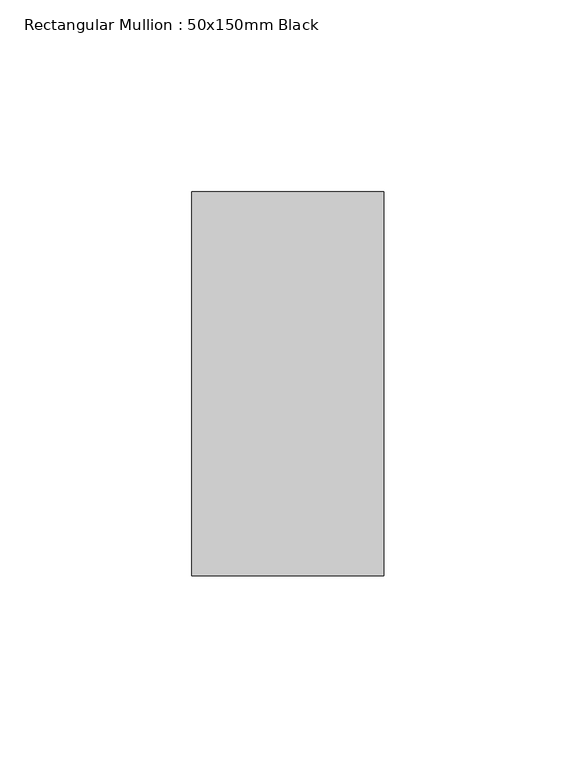
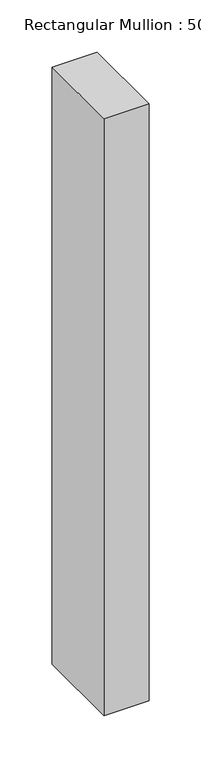
"""IFC4 building model written with IfcOpenShell, lengths in millimetres: member geometry, Rectangular Mullion : 50x150mm Black."""

import ifcopenshell
import ifcopenshell.guid

model = None  # the IFC model being written
_history = None  # IfcOwnerHistory: only IFC2X3 demands one
_inside = {}  # id of a spatial element -> (the spatial element, [elements in it])
_under = {}  # id of a project, library or spatial element -> (it, [spatial elements below it])
_declared = {}  # id of a project -> (the project, [libraries it declares])
_typed = {}  # id of a type object -> (the type object, [elements of that type])
_made_of = {}  # id of a material, layer set ... -> (it, [elements and type objects made of it])


def new_model(schema):
    """Start an empty IFC model of exactly this schema.

    Asked for "IFC4X3", IfcOpenShell would pick the latest addendum, in which some entities
    have other attributes; the version numbers below select the first issue.
    IFC2X3 requires an IfcOwnerHistory on every rooted entity: one is made here for all.
    """
    global model, _history
    if schema == "IFC4X3":
        model = ifcopenshell.file(schema_version=(4, 3, 0, 0))
    else:
        model = ifcopenshell.file(schema=schema)
    _inside.clear()
    _under.clear()
    _declared.clear()
    _typed.clear()
    _made_of.clear()
    _history = None
    if model.schema == "IFC2X3":
        org = make("IfcOrganization", Name="unknown")
        user = make(
            "IfcPersonAndOrganization",
            ThePerson=make("IfcPerson", FamilyName="unknown"),
            TheOrganization=org,
        )
        app = make(
            "IfcApplication",
            ApplicationDeveloper=org,
            Version="unknown",
            ApplicationFullName="unknown",
            ApplicationIdentifier="unknown",
        )
        _history = make(
            "IfcOwnerHistory",
            OwningUser=user,
            OwningApplication=app,
            ChangeAction="ADDED",
            CreationDate=0,
        )
    return model


def make(cls, **values):
    """One entity of the class cls with the attributes given. An attribute that is None is left unset."""
    return model.create_entity(
        cls, **{name: value for name, value in values.items() if value is not None}
    )


def rooted(cls, **values):
    """An entity with a GlobalId (a new one), such as an element, a storey or a relation."""
    return make(cls, GlobalId=ifcopenshell.guid.new(), OwnerHistory=_history, **values)


def si_unit(unit_type, name, prefix=None):
    """IfcSIUnit, for example si_unit("LENGTHUNIT", "METRE", prefix="MILLI")."""
    return make("IfcSIUnit", UnitType=unit_type, Prefix=prefix, Name=name)


def assignment(units):
    """IfcUnitAssignment: the units of a project."""
    return None if units is None else make("IfcUnitAssignment", Units=units)


def point(xyz):
    """IfcCartesianPoint."""
    return None if xyz is None else make("IfcCartesianPoint", Coordinates=xyz)


def direction(xyz):
    """IfcDirection."""
    return None if xyz is None else make("IfcDirection", DirectionRatios=xyz)


def frame(location, z_axis=None, x_axis=None):
    """IfcAxis2Placement3D, a coordinate frame: its origin and axes. An axis left out is left unset."""
    return make(
        "IfcAxis2Placement3D",
        Location=point(location),
        Axis=direction(z_axis),
        RefDirection=direction(x_axis),
    )


def origin():
    """The frame at (0, 0, 0) with its axes left unset."""
    return frame((0.0, 0.0, 0.0))


def place(relative_to, where):
    """IfcLocalPlacement: puts the frame where relative to a parent placement (None: the world)."""
    return make(
        "IfcLocalPlacement", PlacementRelTo=relative_to, RelativePlacement=where
    )


def context(
    kind, dimensions, precision=None, world=None, true_north=None, identifier=None
):
    """IfcGeometricRepresentationContext, for example the 3D "Model" context."""
    return make(
        "IfcGeometricRepresentationContext",
        ContextIdentifier=identifier,
        ContextType=kind,
        CoordinateSpaceDimension=dimensions,
        Precision=precision,
        WorldCoordinateSystem=world,
        TrueNorth=true_north,
    )


def project(units=None, contexts=None):
    """IfcProject with its units and contexts."""
    return rooted(
        "IfcProject",
        Name="project",
        RepresentationContexts=contexts,
        UnitsInContext=assignment(units),
    )


def spatial(cls, under=None, at=None, **own):
    """A site, building, storey or space (cls), placed at a placement, below another one or the project."""
    s = rooted(cls, ObjectPlacement=at, **own)
    if under is not None:
        _under.setdefault(under.id(), (under, []))[1].append(s)
    return s


def polyline(points):
    """IfcPolyline through the points."""
    return make("IfcPolyline", Points=[point(p) for p in points])


def outline(outer, holes=None, kind="AREA"):
    """IfcArbitraryClosedProfileDef: a profile drawn as a closed curve; with holes, ...WithVoids."""
    if holes is None:
        return make("IfcArbitraryClosedProfileDef", ProfileType=kind, OuterCurve=outer)
    return make(
        "IfcArbitraryProfileDefWithVoids",
        ProfileType=kind,
        OuterCurve=outer,
        InnerCurves=holes,
    )


def extrude(swept, where, along, depth):
    """IfcExtrudedAreaSolid: the profile swept, set in the frame where, extruded along a direction by depth."""
    return make(
        "IfcExtrudedAreaSolid",
        SweptArea=swept,
        Position=where,
        ExtrudedDirection=direction(along),
        Depth=depth,
    )


def shape(context_of_items, identifier, shape_type, items):
    """IfcShapeRepresentation: the items that make up one representation, for example the "Body"."""
    return make(
        "IfcShapeRepresentation",
        ContextOfItems=context_of_items,
        RepresentationIdentifier=identifier,
        RepresentationType=shape_type,
        Items=items,
    )


def source(mapping_origin, context_of_items, identifier, shape_type, items):
    """IfcRepresentationMap: a shape defined once, which mapped items show again and again."""
    return make(
        "IfcRepresentationMap",
        MappingOrigin=mapping_origin,
        MappedRepresentation=shape(context_of_items, identifier, shape_type, items),
    )


def transform(
    local_origin,
    x_axis=None,
    y_axis=None,
    z_axis=None,
    scale=None,
    scale2=None,
    scale3=None,
    uniform=True,
):
    """IfcCartesianTransformationOperator3D, or its non-uniform kind. x_axis, y_axis, z_axis: its Axis1, 2, 3."""
    if uniform:
        return make(
            "IfcCartesianTransformationOperator3D",
            Axis1=direction(x_axis),
            Axis2=direction(y_axis),
            LocalOrigin=point(local_origin),
            Scale=scale,
            Axis3=direction(z_axis),
        )
    return make(
        "IfcCartesianTransformationOperator3DnonUniform",
        Axis1=direction(x_axis),
        Axis2=direction(y_axis),
        LocalOrigin=point(local_origin),
        Scale=scale,
        Axis3=direction(z_axis),
        Scale2=scale2,
        Scale3=scale3,
    )


def mapped(mapping_source, mapping_target):
    """IfcMappedItem: shows the shape of a source again, moved by a transform."""
    return make(
        "IfcMappedItem", MappingSource=mapping_source, MappingTarget=mapping_target
    )


def made_of(thing, what):
    """Note that an element or type object is made of a material, layer set ...; save() writes the relation."""
    if what is not None:
        _made_of.setdefault(what.id(), (what, []))[1].append(thing)
    return thing


def element(
    cls,
    number,
    at=None,
    inside=None,
    cuts=None,
    type_object=None,
    material=None,
    context=None,
    identifier="Body",
    shape_type=None,
    held_by="IfcProductDefinitionShape",
    body=None,
    shapes=None,
    **own,
):
    """One element of the class cls, such as IfcWall. Its Tag is "e" and its number.

    at: its placement. inside: the storey or other place that contains it. cuts: it is an
    opening in that element (IfcRelVoidsElement). A single representation is given by context,
    identifier, shape_type and body (its items); several are given by shapes. held_by: the class
    of the entity that holds the representations. save() writes the other relations.
    """
    e = rooted(cls, Tag="e%d" % number, ObjectPlacement=at, **own)
    if body is not None:
        shapes = [shape(context, identifier, shape_type, body)]
    if shapes is not None:
        e.Representation = make(held_by, Representations=shapes)
    if inside is not None:
        _inside.setdefault(inside.id(), (inside, []))[1].append(e)
    if cuts is not None:
        rooted(
            "IfcRelVoidsElement", RelatingBuildingElement=cuts, RelatedOpeningElement=e
        )
    if type_object is not None:
        _typed.setdefault(type_object.id(), (type_object, []))[1].append(e)
    return made_of(e, material)


def aggregate(whole, parts):
    """IfcRelAggregates: a whole, such as a stair, and the parts it consists of."""
    return rooted("IfcRelAggregates", RelatingObject=whole, RelatedObjects=parts)


def save(model, path):
    """Write the relations noted so far, then the file.

    IfcRelAggregates (storeys below a building ...), IfcRelContainedInSpatialStructure (elements
    in a storey), IfcRelDefinesByType, IfcRelAssociatesMaterial and IfcRelDeclares: one each for
    every whole, place, type object, material and project.
    """
    for whole, parts in _under.values():
        aggregate(whole, parts)
    for where, things in _inside.values():
        rooted(
            "IfcRelContainedInSpatialStructure",
            RelatedElements=things,
            RelatingStructure=where,
        )
    for kind, things in _typed.values():
        rooted("IfcRelDefinesByType", RelatedObjects=things, RelatingType=kind)
    for what, things in _made_of.values():
        rooted("IfcRelAssociatesMaterial", RelatedObjects=things, RelatingMaterial=what)
    for by, libraries in _declared.values():
        rooted("IfcRelDeclares", RelatingContext=by, RelatedDefinitions=libraries)
    model.write(path)


def rectangular_mullion_50x150mm_black_be469fed(model_context):
    return source(origin(), model_context, "Body", "SweptSolid", [
        extrude(outline(polyline([(0.0, 50.0), (0.0, -50.0), (-50.0, -50.0), (-50.0, 50.0), (0.0, 50.0)])), frame((0.0, 0.0, -700.0), z_axis=(0.0, 0.0, 1.0), x_axis=(1.0, 0.0, 0.0)), (0.0, 0.0, 1.0), 700.0),
    ])


if __name__ == "__main__":
    model = new_model("IFC4")
    model_context = context("Model", 3, world=origin())
    ifc_project = project(units=[si_unit("LENGTHUNIT", "METRE", prefix="MILLI")], contexts=[model_context])
    site = spatial("IfcSite", under=ifc_project)
    building = spatial("IfcBuilding", under=site)
    placement = place(None, origin())
    rectangular_mullion_50x150mm_black_shape = rectangular_mullion_50x150mm_black_be469fed(model_context)
    element("IfcMember", 1, ObjectType="Rectangular Mullion : 50x150mm Black", at=placement, inside=building, context=model_context, shape_type="MappedRepresentation", body=[
        mapped(rectangular_mullion_50x150mm_black_shape, transform((0.0, 0.0, 0.0), x_axis=(1.0, 0.0, 0.0), y_axis=(0.0, 1.0, 0.0), z_axis=(0.0, 0.0, 1.0))),
    ])
    save(model, "model.ifc")
